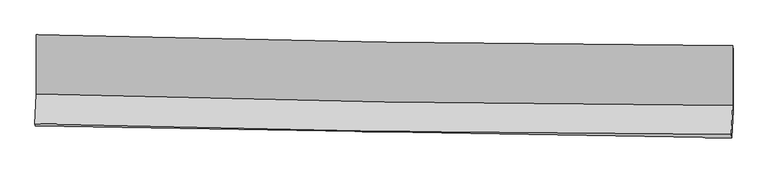
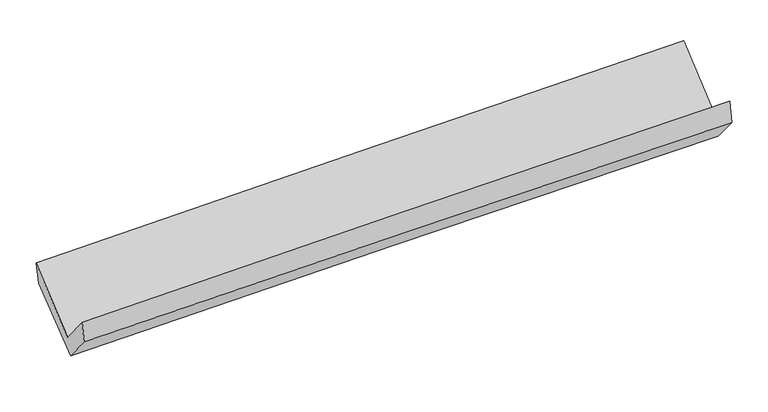
"""IFC4 building model written with IfcOpenShell, lengths in millimetres: proxy geometry."""

from ifc_helpers import new_model, si_unit, frame, origin, place, context, project, spatial, source, transform, mapped, element, save
from ifc_brep_helpers import plane_surface, spline_curve, spline_surface, advanced_brep


def generic_models_d4718023(model_context):
    return source(origin(), model_context, "Body", "AdvancedBrep", [
        advanced_brep(
        [(-3019.0842224, -1154.1692071, 2156.9359807), (-3017.6888858, -1666.7729057, 1730.1567087), (3008.1761388, -1766.0906029, 1884.2602578), (3007.5707528, -1249.3929585, 2314.4786815), (-3029.6037698, -1926.0925451, 2041.5860347), (2996.6260971, -2017.4696874, 2186.1533926), (-3025.5082772, -1946.2570566, 1855.9697366), (3000.647048, -2047.5929819, 1989.0550358), (-3014.5761538, -1708.3265594, 1570.2276518), (3011.5726956, -1809.8034258, 1703.4822139), (-3015.2595471, -1188.5221263, 1972.4360589), (3011.6725627, -1286.6752473, 2108.2917461)],
        [
            (0, 1),
            (1, 2, spline_curve(3, [(-3017.6888858, -1666.7729057, 1730.1567087), (-2013.945001299, -1695.926781049, 1769.300518134), (-1009.932052109, -1718.780136787, 1801.714210063), (998.689592145, -1751.886758655, 1853.082831813), (2003.298317513, -1762.139302002, 1872.03698985), (3008.1761388, -1766.0906029, 1884.2602578)], [4, 2, 4], [0.0, 9.890318793578805, 19.781204998455564])),
            (2, 3),
            (3, 0, spline_curve(3, [(3007.5707528, -1249.3929585, 2314.4786815), (2002.576753163, -1244.931871765, 2302.67545509), (997.844107076, -1234.765624711, 2283.644699374), (-1011.040854687, -1203.023719385, 2231.129636787), (-2015.193200286, -1181.448716375, 2197.646158493), (-3019.0842224, -1154.1692071, 2156.9359807)], [4, 2, 4], [0.0, 9.89088620487676, 19.781204998455564])),
            (1, 4),
            (4, 5, spline_curve(3, [(-3029.6037698, -1926.0925451, 2041.5860347), (-2025.872271603, -1955.516003339, 2081.053599165), (-1021.835113987, -1977.842479306, 2112.834536035), (986.908139711, -2008.302341015, 2161.024537065), (1991.614271251, -2016.434912543, 2177.432719558), (2996.6260971, -2017.4696874, 2186.1533926)], [4, 2, 4], [0.0, 9.889709725899017, 19.779986828153547])),
            (5, 2),
            (4, 6),
            (6, 7, spline_curve(3, [(-3025.5082772, -1946.2570566, 1855.9697366), (-2021.282124658, -1962.281765567, 1883.252615454), (-1017.003843936, -1978.738525668, 1907.984251381), (991.714591949, -2012.517118049, 1952.346310516), (1996.154753072, -2029.838999462, 1971.976440989), (3000.647048, -2047.5929819, 1989.0550358)], [4, 2, 4], [0.0, 9.889271248930186, 19.779109849060298])),
            (7, 5),
            (6, 8),
            (8, 9, spline_curve(3, [(-3014.5761538, -1708.3265594, 1570.2276518), (-2010.544836143, -1728.591722654, 1602.603094529), (-1006.364515445, -1747.180515302, 1629.895189921), (1002.351750795, -1781.00632997, 1674.313960803), (2006.887713108, -1796.243159251, 1691.4400525), (3011.5726956, -1809.8034258, 1703.4822139)], [4, 2, 4], [0.0, 9.88903561145051, 19.778638560582333])),
            (9, 7),
            (8, 10),
            (10, 11, spline_curve(3, [(-3015.2595471, -1188.5221263, 1972.4360589), (-2011.078015116, -1212.19158254, 2002.1827941), (-1006.757317332, -1232.205607744, 2028.377245927), (1002.220036771, -1264.923733955, 2073.662882663), (2006.876708789, -1277.627416106, 2092.753659636), (3011.6725627, -1286.6752473, 2108.2917461)], [4, 2, 4], [0.0, 9.889741779144018, 19.780050936482453])),
            (11, 9),
            (10, 0),
            (3, 11),
        ],
        [
            spline_surface(3, 3, [[(-3019.0842224, -1154.1692071, 2156.9359807), (-2015.193200307, -1181.448716297, 2197.646158586), (-1011.040854673, -1203.023719534, 2231.129636677), (997.844107062, -1234.765624562, 2283.644699484), (2002.576753187, -1244.931871784, 2302.67545502), (3007.5707528, -1249.3929585, 2314.4786815)], [(-3018.619110212, -1325.037106661, 2014.676223364), (-2014.77713397, -1352.941404552, 2054.86427844), (-1010.671253779, -1374.942525287, 2087.991161128), (998.125935371, -1407.139335967, 2140.124076977), (2002.817274648, -1417.334348546, 2159.129299952), (3007.772548117, -1421.625506625, 2171.07254027)], [(-3018.153997988, -1495.905006139, 1872.416466036), (-2014.361067595, -1524.434092725, 1912.082398303), (-1010.301652865, -1546.861330977, 1944.852685521), (998.407763698, -1579.513047307, 1996.603454412), (2003.057796157, -1589.736825331, 2015.583144875), (3007.974343483, -1593.858054775, 2027.66639903)], [(-3017.6888858, -1666.7729057, 1730.1567087), (-2013.945001258, -1695.92678098, 1769.300518158), (-1009.932051971, -1718.78013673, 1801.714209972), (998.689592006, -1751.886758712, 1853.082831905), (2003.298317618, -1762.139302093, 1872.036989806), (3008.1761388, -1766.0906029, 1884.2602578)]], [4, 4], [4, 2, 4], [0.0, 2.204764123883128], [0.0, 9.890318793578805, 19.781204998455564]),
            spline_surface(3, 3, [[(-3017.6888858, -1666.7729057, 1730.1567087), (-2013.945001258, -1695.92678098, 1769.300518158), (-1009.932051971, -1718.78013673, 1801.714209972), (998.689592006, -1751.886758712, 1853.082831905), (2003.298317618, -1762.139302093, 1872.036989806), (3008.1761388, -1766.0906029, 1884.2602578)], [(-3021.660513802, -1753.212785501, 1833.966484028), (-2017.920758074, -1782.456521717, 1873.218211771), (-1013.899739324, -1805.134250909, 1905.420985272), (994.762441294, -1837.358619477, 1955.730066992), (1999.403635483, -1846.90450554, 1973.83556641), (3004.32612492, -1849.883631071, 1984.891302737)], [(-3025.632141798, -1839.652665299, 1937.776259372), (-2021.896514885, -1868.986262451, 1977.135905399), (-1017.867426734, -1891.488365112, 2009.127760602), (990.835290525, -1922.830480267, 2058.37730211), (1995.508953289, -1931.669708972, 2075.634143003), (3000.47611098, -1933.676659229, 2085.522347663)], [(-3029.6037698, -1926.0925451, 2041.5860347), (-2025.872271701, -1955.516003188, 2081.053599012), (-1021.835114088, -1977.84247929, 2112.834535902), (986.908139812, -2008.302341032, 2161.024537197), (1991.614271154, -2016.434912419, 2177.432719606), (2996.6260971, -2017.4696874, 2186.1533926)]], [4, 4], [4, 2, 4], [0.0, 1.3220562169623589], [0.0, 9.889709725899017, 19.779986828153547]),
            spline_surface(3, 3, [[(-3029.6037698, -1926.0925451, 2041.5860347), (-2025.872271701, -1955.516003188, 2081.053599012), (-1021.835114088, -1977.84247929, 2112.834535902), (986.908139812, -2008.302341032, 2161.024537197), (1991.614271154, -2016.434912419, 2177.432719606), (2996.6260971, -2017.4696874, 2186.1533926)], [(-3028.238605587, -1932.814048911, 1979.713935329), (-2024.34222262, -1957.771257267, 2015.119937783), (-1020.224690693, -1978.141161441, 2044.551107715), (988.510290489, -2009.707266666, 2091.465128293), (1993.127765102, -2020.902941436, 2108.94729336), (2997.966414068, -2027.510785573, 2120.45394033)], [(-3026.873441413, -1939.535552789, 1917.841835971), (-2022.812173578, -1960.026511412, 1949.186276567), (-1018.614267262, -1978.439843612, 1976.267679565), (990.112441202, -2011.112192321, 2021.905719425), (1994.641259047, -2025.370970432, 2040.461867122), (2999.306731032, -2037.551883727, 2054.75448807)], [(-3025.5082772, -1946.2570566, 1855.9697366), (-2021.282124497, -1962.281765491, 1883.252615338), (-1017.003843867, -1978.738525763, 1907.984251378), (991.714591879, -2012.517117955, 1952.34631052), (1996.154752995, -2029.838999448, 1971.976440876), (3000.647048, -2047.5929819, 1989.0550358)]], [4, 4], [4, 2, 4], [0.0, 0.6785967835392299], [0.0, 9.889271248930186, 19.779109849060298]),
            spline_surface(3, 3, [[(-3025.5082772, -1946.2570566, 1855.9697366), (-2021.282124497, -1962.281765491, 1883.252615338), (-1017.003843867, -1978.738525763, 1907.984251378), (991.714591879, -2012.517117955, 1952.34631052), (1996.154752995, -2029.838999448, 1971.976440876), (3000.647048, -2047.5929819, 1989.0550358)], [(-3021.864236096, -1866.946890864, 1760.722375021), (-2017.703028367, -1884.385084557, 1789.702775089), (-1013.457401028, -1901.552522308, 1815.287897616), (995.260311481, -1935.346855263, 1859.668860592), (1999.732406357, -1951.973719399, 1878.464311447), (3004.288930511, -1968.329796526, 1893.864095179)], [(-3018.220194904, -1787.636725136, 1665.475013379), (-2014.123932151, -1806.48840363, 1696.152934777), (-1009.910958181, -1824.36651885, 1722.591543802), (998.806031091, -1858.176592569, 1766.991410612), (2003.310059785, -1874.10843937, 1784.952181981), (3007.930813089, -1889.066611174, 1798.673154521)], [(-3014.5761538, -1708.3265594, 1570.2276518), (-2010.544836022, -1728.591722696, 1602.603094528), (-1006.364515343, -1747.180515395, 1629.89519004), (1002.351750693, -1781.006329877, 1674.313960684), (2006.887713148, -1796.243159321, 1691.440052552), (3011.5726956, -1809.8034258, 1703.4822139)]], [4, 4], [4, 2, 4], [0.0, 1.1876418584381154], [0.0, 9.88903561145051, 19.778638560582333]),
            spline_surface(3, 3, [[(-3014.5761538, -1708.3265594, 1570.2276518), (-2010.544836022, -1728.591722696, 1602.603094528), (-1006.364515343, -1747.180515395, 1629.89519004), (1002.351750693, -1781.006329877, 1674.313960684), (2006.887713148, -1796.243159321, 1691.440052552), (3011.5726956, -1809.8034258, 1703.4822139)], [(-3014.803951547, -1535.058415052, 1704.297120828), (-2010.72256238, -1556.458342658, 1735.79632768), (-1006.495449306, -1575.522212821, 1762.722542019), (1002.307846034, -1608.97879795, 1807.430268007), (2006.884045019, -1623.37124488, 1825.211254954), (3011.605984634, -1635.427366306, 1838.418724643)], [(-3015.031749353, -1361.790270648, 1838.366589872), (-2010.900288798, -1384.324962565, 1868.989560849), (-1006.626383291, -1403.863910212, 1895.549893977), (1002.263941352, -1436.951265987, 1940.54657531), (2006.88037689, -1450.499330424, 1958.982457328), (3011.639273666, -1461.051306794, 1973.355235357)], [(-3015.2595471, -1188.5221263, 1972.4360589), (-2011.078015156, -1212.191582527, 2002.182794001), (-1006.757317253, -1232.205607638, 2028.377245956), (1002.220036692, -1264.92373406, 2073.662882634), (2006.876708762, -1277.627415983, 2092.75365973), (3011.6725627, -1286.6752473, 2108.2917461)]], [4, 4], [4, 2, 4], [0.0, 2.1386033056040428], [0.0, 9.889741779144018, 19.780050936482453]),
            spline_surface(3, 3, [[(-3015.2595471, -1188.5221263, 1972.4360589), (-2011.078015156, -1212.191582527, 2002.182794001), (-1006.757317253, -1232.205607638, 2028.377245956), (1002.220036692, -1264.92373406, 2073.662882634), (2006.876708762, -1277.627415983, 2092.75365973), (3011.6725627, -1286.6752473, 2108.2917461)], [(-3016.534438857, -1177.071153211, 2033.93603283), (-2012.44974353, -1201.943960428, 2067.33724886), (-1008.185163065, -1222.478311585, 2095.961376175), (1000.761393477, -1254.871030875, 2143.656821562), (2005.443390253, -1266.728901249, 2162.727591469), (3010.30529275, -1274.247817698, 2177.020724542)], [(-3017.809330643, -1165.620180189, 2095.43600677), (-2013.821471933, -1191.696338396, 2132.491703727), (-1009.613008861, -1212.751015588, 2163.545506458), (999.302750278, -1244.818327747, 2213.650760556), (2004.010071695, -1255.830386519, 2232.701523281), (3008.93802275, -1261.820388102, 2245.749703058)], [(-3019.0842224, -1154.1692071, 2156.9359807), (-2015.193200307, -1181.448716297, 2197.646158586), (-1011.040854673, -1203.023719534, 2231.129636677), (997.844107062, -1234.765624562, 2283.644699484), (2002.576753187, -1244.931871784, 2302.67545502), (3007.5707528, -1249.3929585, 2314.4786815)]], [4, 4], [4, 2, 4], [0.0, 0.6841674142735318], [0.0, 9.89063773319831, 19.781842895992263]),
            plane_surface(frame((3006.0442158, -1696.1708173, 2030.9535546), z_axis=(0.9995676750336133, -0.018112717519695863, 0.023160148789431165), x_axis=(0.00015097902231084496, 0.7908648629430373, 0.6119908052964732))),
            plane_surface(frame((-3020.2868093, -1598.3567334, 1887.8853619), z_axis=(-0.9995658915475507, 0.017196634848472364, -0.02392288035832109), x_axis=(0.020375468354553165, -0.1830107839090081, -0.9828997371361654))),
        ],
        [
            (0, [[1, 2, 3, 4]]),
            (1, [[5, 6, 7, -2]]),
            (2, [[8, 9, 10, -6]]),
            (3, [[11, 12, 13, -9]]),
            (4, [[14, 15, 16, -12]]),
            (5, [[17, -4, 18, -15]]),
            (6, [[-16, -18, -3, -7, -10, -13]]),
            (7, [[-17, -14, -11, -8, -5, -1]]),
        ],
    ),
    ])


if __name__ == "__main__":
    model = new_model("IFC4")
    model_context = context("Model", 3, world=origin())
    ifc_project = project(units=[si_unit("LENGTHUNIT", "METRE", prefix="MILLI")], contexts=[model_context])
    site = spatial("IfcSite", under=ifc_project)
    building = spatial("IfcBuilding", under=site)
    placement = place(None, origin())
    generic_models_shape = generic_models_d4718023(model_context)
    element("IfcBuildingElementProxy", 1, Name="Generic Models", at=placement, inside=building, context=model_context, shape_type="MappedRepresentation", body=[
        mapped(generic_models_shape, transform((0.0, 0.0, 0.0), x_axis=(1.0, 0.0, 0.0), y_axis=(0.0, 1.0, 0.0), z_axis=(0.0, 0.0, 1.0))),
    ])
    save(model, "model.ifc")
